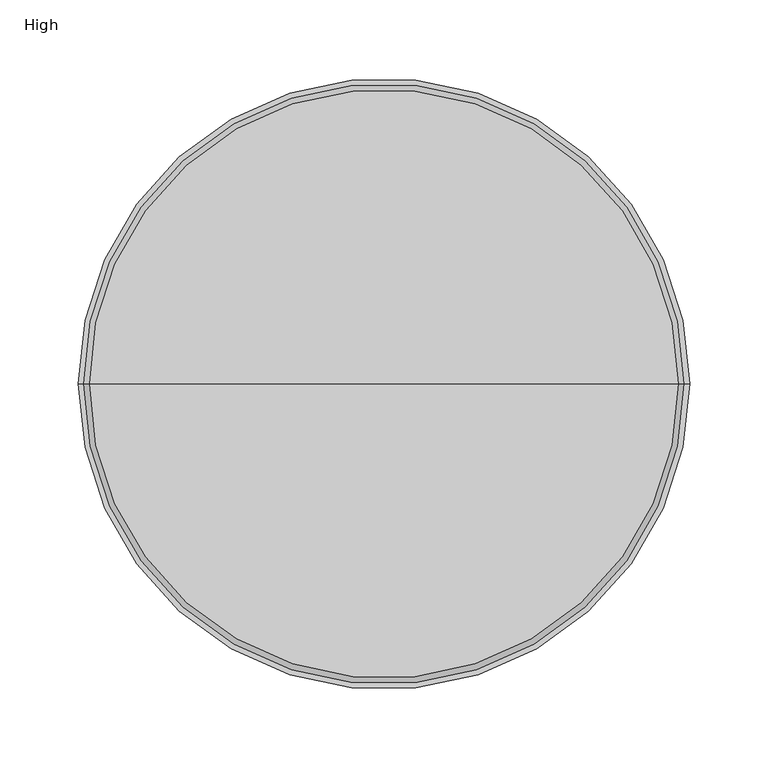
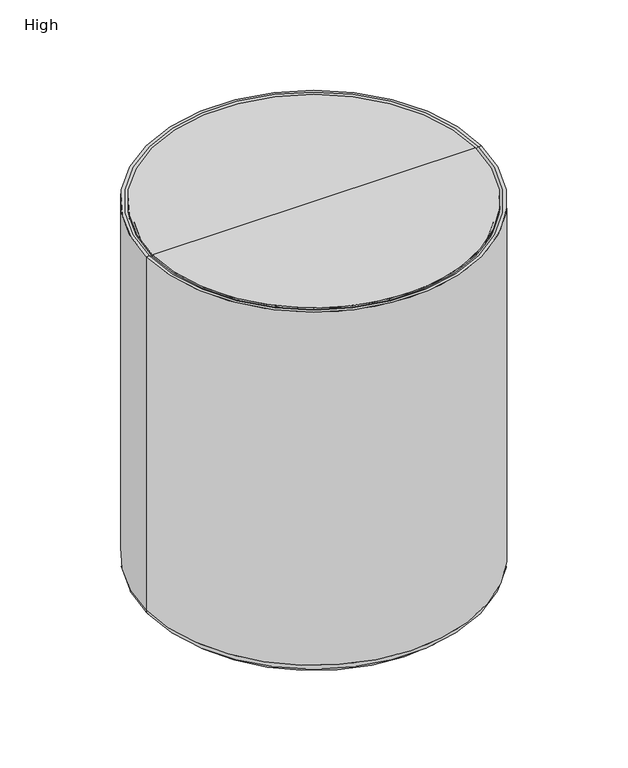
"""IFC4 building model written with IfcOpenShell, lengths in millimetres: furniture geometry, High."""

from ifc_helpers import new_model, si_unit, point, frame, origin, place, context, project, spatial, polyline, circle_curve, ellipse_curve, trimmed, source, transform, mapped, element, save
from ifc_brep_helpers import plane_surface, cylinder_surface, revolved_surface, advanced_brep


def high_df02ad9b(model_context):
    return source(origin(), model_context, "Body", "AdvancedBrep", [
        advanced_brep(
        [(187.8620767, 0.0, 439.6310801), (-187.8620767, 0.0, 439.6310801), (-187.8620767, 0.0, 450.088), (187.8620767, 0.0, 450.088), (0.0, 0.0, 439.6310801), (0.0, 0.0, 450.088)],
        [
            (0, 1, circle_curve(frame((0.0, 0.0, 439.6310801), z_axis=(0.0, 0.0, 1.0), x_axis=(-1.0, 0.0, 0.0)), 187.8620767)),
            (1, 2),
            (2, 3, circle_curve(frame((0.0, 0.0, 450.088), z_axis=(0.0, 0.0, -1.0), x_axis=(-1.0, 0.0, 0.0)), 187.8620767)),
            (3, 0),
            (1, 0, circle_curve(frame((0.0, 0.0, 439.6310801), z_axis=(0.0, 0.0, 1.0), x_axis=(-1.0, 0.0, 0.0)), 187.8620767)),
            (3, 2, circle_curve(frame((0.0, 0.0, 450.088), z_axis=(0.0, 0.0, -1.0), x_axis=(-1.0, 0.0, 0.0)), 187.8620767)),
            (4, 1),
            (0, 4),
            (2, 5),
            (5, 3),
        ],
        [
            cylinder_surface(frame((0.0, 0.0, 475.488), z_axis=(0.0, 0.0, -1.0), x_axis=(-1.0, 0.0, 0.0)), 187.8620767),
            plane_surface(frame((0.0, 0.0, 439.6310801), z_axis=(0.0, 0.0, -1.0), x_axis=(-1.0, 0.0, 0.0))),
            plane_surface(frame((0.0, 0.0, 450.088), z_axis=(0.0, 0.0, 1.0), x_axis=(-1.0, 0.0, 0.0))),
        ],
        [
            (0, [[1, 2, 3, 4]]),
            (0, [[5, -4, 6, -2]]),
            (1, [[7, -1, 8]]),
            (1, [[-8, -5, -7]]),
            (2, [[-3, 9, 10]]),
            (2, [[-6, -10, -9]]),
        ],
    ),
        advanced_brep(
        [(181.5120767, 0.0, 433.2810801), (-181.5120767, 0.0, 433.2810801), (0.0, 0.0, 433.2810801), (181.5120767, 0.0, 435.9096549), (-181.5120767, 0.0, 435.9096549), (187.8620767, 0.0, 439.6310801), (-187.8620767, 0.0, 439.6310801), (-185.233502, 0.0, 439.6310801), (185.233502, 0.0, 439.6310801), (187.8620767, 0.0, 446.1755196), (-187.8620767, 0.0, 446.1755196), (195.0001766, 0.0, 450.088), (-195.0001766, 0.0, 450.088), (-191.7745571, 0.0, 450.088), (191.7745571, 0.0, 450.088), (195.0001766, 0.0, 15.24), (-195.0001766, 0.0, 15.24), (0.0, 0.0, 0.0), (-182.3001766, 0.0, 0.0), (182.3001766, 0.0, 0.0), (186.1101766, 0.0, 6.35), (-186.1101766, 0.0, 6.35), (182.3001766, 0.0, 6.35), (-182.3001766, 0.0, 6.35)],
        [
            (0, 1, circle_curve(frame((0.0, 0.0, 433.2810801), z_axis=(0.0, 0.0, 1.0), x_axis=(-1.0, 0.0, 0.0)), 181.5120767)),
            (1, 2),
            (2, 0),
            (1, 0, circle_curve(frame((0.0, 0.0, 433.2810801), z_axis=(0.0, 0.0, 1.0), x_axis=(-1.0, 0.0, 0.0)), 181.5120767)),
            (3, 4, circle_curve(frame((0.0, 0.0, 435.9096549), z_axis=(0.0, 0.0, 1.0), x_axis=(-1.0, 0.0, 0.0)), 181.5120767)),
            (4, 1),
            (0, 3),
            (4, 3, circle_curve(frame((0.0, 0.0, 435.9096549), z_axis=(0.0, 0.0, 1.0), x_axis=(-1.0, 0.0, 0.0)), 181.5120767)),
            (5, 6, circle_curve(frame((0.0, 0.0, 439.6310801), z_axis=(0.0, 0.0, 1.0), x_axis=(-1.0, 0.0, 0.0)), 187.8620767)),
            (6, 7),
            (7, 8, circle_curve(frame((0.0, 0.0, 439.6310801), z_axis=(0.0, 0.0, -1.0), x_axis=(-1.0, 0.0, 0.0)), 185.233502)),
            (8, 5),
            (6, 5, circle_curve(frame((0.0, 0.0, 439.6310801), z_axis=(0.0, 0.0, 1.0), x_axis=(-1.0, 0.0, 0.0)), 187.8620767)),
            (8, 7, circle_curve(frame((0.0, 0.0, 439.6310801), z_axis=(0.0, 0.0, -1.0), x_axis=(-1.0, 0.0, 0.0)), 185.233502)),
            (9, 10, circle_curve(frame((0.0, 0.0, 446.1755196), z_axis=(0.0, 0.0, 1.0), x_axis=(-1.0, 0.0, 0.0)), 187.8620767)),
            (10, 6),
            (5, 9),
            (10, 9, circle_curve(frame((0.0, 0.0, 446.1755196), z_axis=(0.0, 0.0, 1.0), x_axis=(-1.0, 0.0, 0.0)), 187.8620767)),
            (11, 12, circle_curve(frame((0.0, 0.0, 450.088), z_axis=(0.0, 0.0, 1.0), x_axis=(-1.0, 0.0, 0.0)), 195.0001766)),
            (12, 13),
            (13, 14, circle_curve(frame((0.0, 0.0, 450.088), z_axis=(0.0, 0.0, -1.0), x_axis=(-1.0, 0.0, 0.0)), 191.7745571)),
            (14, 11),
            (12, 11, circle_curve(frame((0.0, 0.0, 450.088), z_axis=(0.0, 0.0, 1.0), x_axis=(-1.0, 0.0, 0.0)), 195.0001766)),
            (14, 13, circle_curve(frame((0.0, 0.0, 450.088), z_axis=(0.0, 0.0, -1.0), x_axis=(-1.0, 0.0, 0.0)), 191.7745571)),
            (15, 16, circle_curve(frame((0.0, 0.0, 15.24), z_axis=(0.0, 0.0, 1.0), x_axis=(-1.0, 0.0, 0.0)), 195.0001766)),
            (16, 12),
            (11, 15),
            (16, 15, circle_curve(frame((0.0, 0.0, 15.24), z_axis=(0.0, 0.0, 1.0), x_axis=(-1.0, 0.0, 0.0)), 195.0001766)),
            (17, 18),
            (18, 19, circle_curve(frame((0.0, 0.0, 0.0), z_axis=(0.0, 0.0, -1.0), x_axis=(-1.0, 0.0, 0.0)), 182.3001766)),
            (19, 17),
            (19, 18, circle_curve(frame((0.0, 0.0, 0.0), z_axis=(0.0, 0.0, -1.0), x_axis=(-1.0, 0.0, 0.0)), 182.3001766)),
            (20, 21, circle_curve(frame((0.0, 0.0, 6.35), z_axis=(0.0, 0.0, 1.0), x_axis=(-1.0, 0.0, 0.0)), 186.1101766)),
            (21, 16, circle_curve(frame((-186.1101766, 0.0, 15.24), z_axis=(0.0, 1.0, 0.0), x_axis=(1.0, 0.0, 0.0)), 8.89)),
            (15, 20, circle_curve(frame((186.1101766, 0.0, 15.24), z_axis=(0.0, 1.0, 0.0), x_axis=(-1.0, 0.0, 0.0)), 8.89)),
            (21, 20, circle_curve(frame((0.0, 0.0, 6.35), z_axis=(0.0, 0.0, 1.0), x_axis=(-1.0, 0.0, 0.0)), 186.1101766)),
            (22, 23, circle_curve(frame((0.0, 0.0, 6.35), z_axis=(0.0, 0.0, 1.0), x_axis=(-1.0, 0.0, 0.0)), 182.3001766)),
            (23, 21),
            (20, 22),
            (23, 22, circle_curve(frame((0.0, 0.0, 6.35), z_axis=(0.0, 0.0, 1.0), x_axis=(-1.0, 0.0, 0.0)), 182.3001766)),
            (18, 23),
            (22, 19),
            (7, 4, circle_curve(frame((-185.233502, 0.0, 435.9096549), z_axis=(0.0, 1.0, 0.0), x_axis=(1.0, 0.0, 0.0)), 3.7214253)),
            (3, 8, circle_curve(frame((185.233502, 0.0, 435.9096549), z_axis=(0.0, 1.0, 0.0), x_axis=(-1.0, 0.0, 0.0)), 3.7214253)),
            (13, 10, circle_curve(frame((-191.7745571, 0.0, 446.1755196), z_axis=(0.0, 1.0, 0.0), x_axis=(1.0, 0.0, 0.0)), 3.9124804)),
            (9, 14, circle_curve(frame((191.7745571, 0.0, 446.1755196), z_axis=(0.0, 1.0, 0.0), x_axis=(-1.0, 0.0, 0.0)), 3.9124804)),
        ],
        [
            plane_surface(frame((0.0, 0.0, 433.2810801), z_axis=(0.0, 0.0, 1.0), x_axis=(-1.0, 0.0, 0.0))),
            revolved_surface(polyline([(-181.5120767, 0.0, 433.2810801), (-181.5120767, 0.0, 435.9096549)]), (0.0, 0.0, 534.8810801), (0.0, 0.0, -1.0)),
            plane_surface(frame((0.0, 0.0, 439.6310801), z_axis=(0.0, 0.0, 1.0), x_axis=(-1.0, 0.0, 0.0))),
            revolved_surface(polyline([(-187.8620767, 0.0, 439.6310801), (-187.8620767, 0.0, 446.1755196)]), (0.0, 0.0, 534.8810801), (0.0, 0.0, -1.0)),
            plane_surface(frame((0.0, 0.0, 450.088), z_axis=(0.0, 0.0, 1.0), x_axis=(-1.0, 0.0, 0.0))),
            cylinder_surface(frame((0.0, 0.0, 534.8810801), z_axis=(0.0, 0.0, -1.0), x_axis=(-1.0, 0.0, 0.0)), 195.0001766),
            plane_surface(frame((0.0, 0.0, 0.0), z_axis=(0.0, 0.0, -1.0), x_axis=(-1.0, 0.0, 0.0))),
            revolved_surface(trimmed(ellipse_curve(frame((-186.1101766, 0.0, 15.24), z_axis=(0.0, -1.0, 0.0), x_axis=(1.0, 0.0, 0.0)), 8.89, 8.89), [point((-195.0001766, 0.0, 15.24))], [point((-186.1101766, 0.0, 6.35))], True, "CARTESIAN"), (0.0, 0.0, 534.8810801), (0.0, 0.0, -1.0)),
            plane_surface(frame((0.0, 0.0, 6.35), z_axis=(0.0, 0.0, -1.0), x_axis=(-1.0, 0.0, 0.0))),
            cylinder_surface(frame((0.0, 0.0, 534.8810801), z_axis=(0.0, 0.0, -1.0), x_axis=(-1.0, 0.0, 0.0)), 182.3001766),
            revolved_surface(trimmed(ellipse_curve(frame((-185.233502, 0.0, 435.9096549), z_axis=(0.0, -1.0, 0.0), x_axis=(1.0, 0.0, 0.0)), 3.7214253, 3.7214253), [point((-181.5120767, 0.0, 435.9096549))], [point((-185.233502, 0.0, 439.6310801))], True, "CARTESIAN"), (0.0, 0.0, 534.8810801), (0.0, 0.0, -1.0)),
            revolved_surface(trimmed(ellipse_curve(frame((-191.7745571, 0.0, 446.1755196), z_axis=(0.0, -1.0, 0.0), x_axis=(1.0, 0.0, 0.0)), 3.9124804, 3.9124804), [point((-187.8620767, 0.0, 446.1755196))], [point((-191.7745571, 0.0, 450.088))], True, "CARTESIAN"), (0.0, 0.0, 534.8810801), (0.0, 0.0, -1.0)),
        ],
        [
            (0, [[1, 2, 3]]),
            (0, [[4, -3, -2]]),
            (1, [[5, 6, -1, 7]]),
            (1, [[8, -7, -4, -6]]),
            (2, [[9, 10, 11, 12]]),
            (2, [[13, -12, 14, -10]]),
            (3, [[15, 16, -9, 17]]),
            (3, [[18, -17, -13, -16]]),
            (4, [[19, 20, 21, 22]]),
            (4, [[23, -22, 24, -20]]),
            (5, [[25, 26, -19, 27]]),
            (5, [[28, -27, -23, -26]]),
            (6, [[29, 30, 31]]),
            (6, [[-31, 32, -29]]),
            (7, [[33, 34, -25, 35]]),
            (7, [[36, -35, -28, -34]]),
            (8, [[37, 38, -33, 39]]),
            (8, [[40, -39, -36, -38]]),
            (9, [[-30, 41, -37, 42]]),
            (9, [[-32, -42, -40, -41]]),
            (10, [[-11, 43, -5, 44]]),
            (10, [[-14, -44, -8, -43]]),
            (11, [[-21, 45, -15, 46]]),
            (11, [[-24, -46, -18, -45]]),
        ],
    ),
    ])


if __name__ == "__main__":
    model = new_model("IFC4")
    model_context = context("Model", 3, world=origin())
    ifc_project = project(units=[si_unit("LENGTHUNIT", "METRE", prefix="MILLI")], contexts=[model_context])
    site = spatial("IfcSite", under=ifc_project)
    building = spatial("IfcBuilding", under=site)
    placement = place(None, origin())
    high_shape = high_df02ad9b(model_context)
    element("IfcFurniture", 1, ObjectType="High", at=placement, inside=building, context=model_context, shape_type="MappedRepresentation", body=[
        mapped(high_shape, transform((0.0, 0.0, 0.0), x_axis=(1.0, 0.0, 0.0), y_axis=(0.0, 1.0, 0.0), z_axis=(0.0, 0.0, 1.0))),
    ])
    save(model, "model.ifc")
